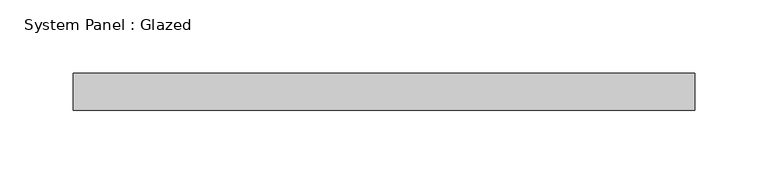
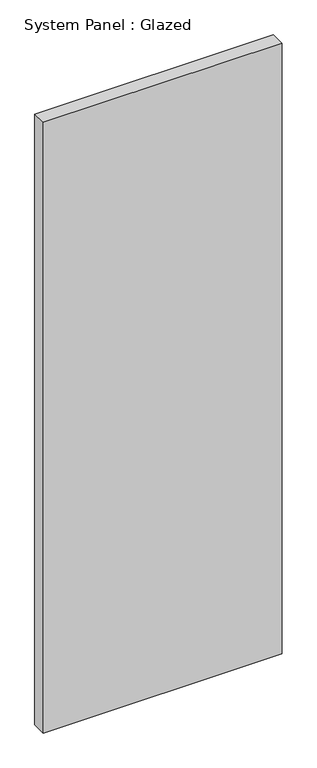
"""IFC4 building model written with IfcOpenShell, lengths in millimetres: plate geometry, System Panel : Glazed."""

from ifc_helpers import new_model, si_unit, origin, origin_with_axes, place, context, project, spatial, polyline, outline, extrude, source, transform, mapped, element, save


def system_panel_glazed_7d6ec208(model_context):
    return source(origin(), model_context, "Body", "SweptSolid", [
        extrude(outline(polyline([(212.725, -12.7), (-212.725, -12.7), (-212.725, 12.7), (212.725, 12.7), (212.725, -12.7)])), origin_with_axes(), (0.0, 0.0, 1.0), 1149.35),
    ])


if __name__ == "__main__":
    model = new_model("IFC4")
    model_context = context("Model", 3, world=origin())
    ifc_project = project(units=[si_unit("LENGTHUNIT", "METRE", prefix="MILLI")], contexts=[model_context])
    site = spatial("IfcSite", under=ifc_project)
    building = spatial("IfcBuilding", under=site)
    placement = place(None, origin())
    system_panel_glazed_shape = system_panel_glazed_7d6ec208(model_context)
    element("IfcPlate", 1, ObjectType="System Panel : Glazed", at=placement, inside=building, context=model_context, shape_type="MappedRepresentation", body=[
        mapped(system_panel_glazed_shape, transform((0.0, 0.0, 0.0), x_axis=(1.0, 0.0, 0.0), y_axis=(0.0, 1.0, 0.0), z_axis=(0.0, 0.0, 1.0))),
    ])
    save(model, "model.ifc")
